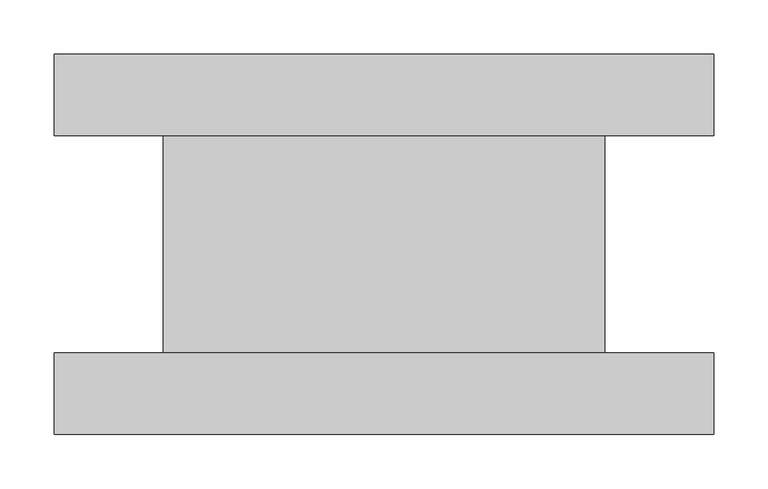
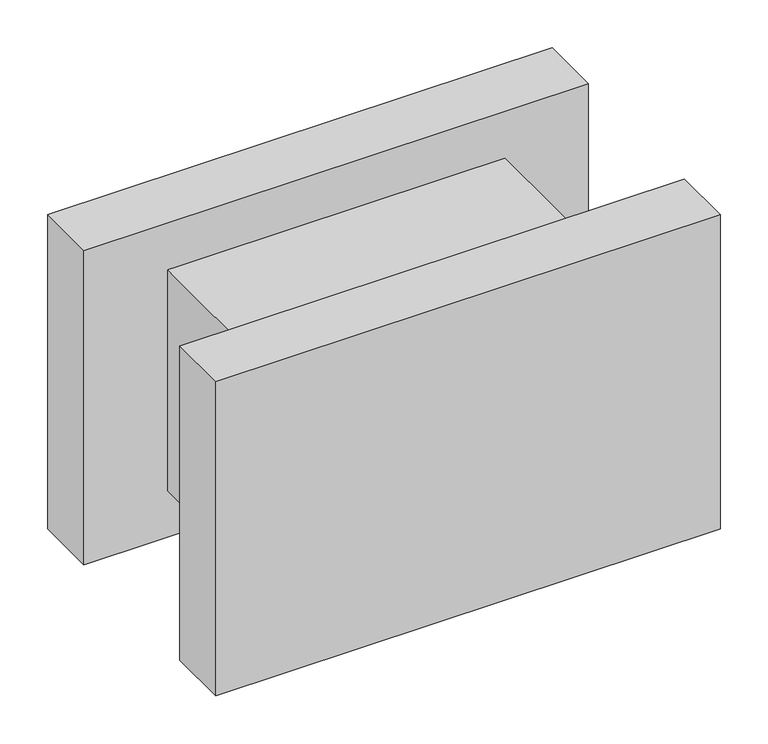
"""IFC4 building model written with IfcOpenShell, lengths in millimetres: plate geometry."""

from ifc_helpers import new_model, si_unit, frame, origin, origin_with_axes, place, context, project, spatial, polyline, outline, extrude, source, transform, mapped, element, save


def plate_a87cb484(model_context):
    return source(origin(), model_context, "Body", "SweptSolid", [
        extrude(outline(polyline([(303.125, -175.0), (-303.125, -175.0), (-303.125, -100.0), (303.125, -100.0), (303.125, -175.0)])), origin_with_axes(), (0.0, 0.0, 1.0), 400.0),
        extrude(outline(polyline([(303.125, 100.0), (-303.125, 100.0), (-303.125, 175.0), (303.125, 175.0), (303.125, 100.0)])), origin_with_axes(), (0.0, 0.0, 1.0), 400.0),
        extrude(outline(polyline([(203.125, -100.0), (-203.125, -100.0), (-203.125, 100.0), (203.125, 100.0), (203.125, -100.0)])), frame((0.0, 0.0, 59.45), z_axis=(0.0, 0.0, 1.0), x_axis=(1.0, 0.0, 0.0)), (0.0, 0.0, 1.0), 281.1),
    ])


if __name__ == "__main__":
    model = new_model("IFC4")
    model_context = context("Model", 3, world=origin())
    ifc_project = project(units=[si_unit("LENGTHUNIT", "METRE", prefix="MILLI")], contexts=[model_context])
    site = spatial("IfcSite", under=ifc_project)
    building = spatial("IfcBuilding", under=site)
    placement = place(None, origin())
    plate_shape = plate_a87cb484(model_context)
    element("IfcPlate", 1, at=placement, inside=building, context=model_context, shape_type="MappedRepresentation", body=[
        mapped(plate_shape, transform((0.0, 0.0, 0.0), x_axis=(1.0, 0.0, 0.0), y_axis=(0.0, 1.0, 0.0), z_axis=(0.0, 0.0, 1.0))),
    ])
    save(model, "model.ifc")
